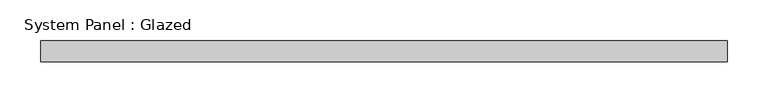
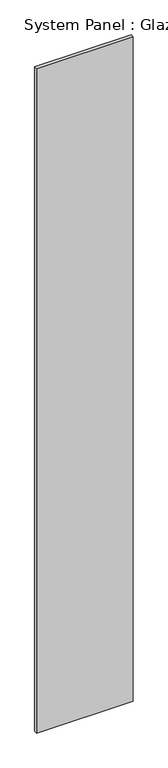
"""IFC4 building model written with IfcOpenShell, lengths in millimetres: plate geometry, System Panel : Glazed."""

from ifc_helpers import new_model, si_unit, origin, origin_with_axes, place, context, project, spatial, polyline, outline, extrude, source, transform, mapped, element, save


def system_panel_glazed_3fd7a75c(model_context):
    return source(origin(), model_context, "Body", "SweptSolid", [
        extrude(outline(polyline([(419.1, 19.05), (-419.1, 19.05), (-419.1, 44.45), (419.1, 44.45), (419.1, 19.05)])), origin_with_axes(), (0.0, 0.0, 1.0), 6096.0),
    ])


if __name__ == "__main__":
    model = new_model("IFC4")
    model_context = context("Model", 3, world=origin())
    ifc_project = project(units=[si_unit("LENGTHUNIT", "METRE", prefix="MILLI")], contexts=[model_context])
    site = spatial("IfcSite", under=ifc_project)
    building = spatial("IfcBuilding", under=site)
    placement = place(None, origin())
    system_panel_glazed_shape = system_panel_glazed_3fd7a75c(model_context)
    element("IfcPlate", 1, ObjectType="System Panel : Glazed", at=placement, inside=building, context=model_context, shape_type="MappedRepresentation", body=[
        mapped(system_panel_glazed_shape, transform((0.0, 0.0, 0.0), x_axis=(1.0, 0.0, 0.0), y_axis=(0.0, 1.0, 0.0), z_axis=(0.0, 0.0, 1.0))),
    ])
    save(model, "model.ifc")
